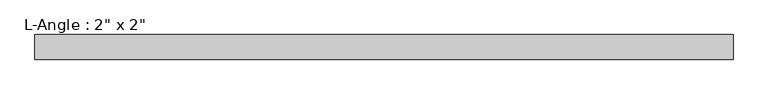
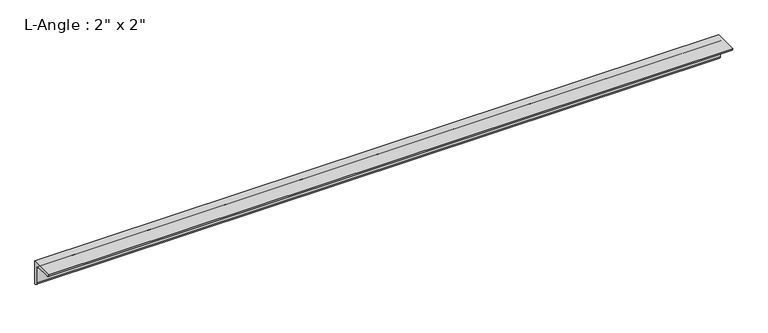
"""IFC4 building model written with IfcOpenShell, lengths in millimetres: beam geometry."""

from ifc_helpers import new_model, si_unit, point, frame, frame_2d, origin, place, context, project, spatial, polyline, circle_curve, trimmed, segment, composite_curve, outline, extrude, source, transform, mapped, element, save


def beam_86bf16c3(model_context):
    return source(origin(), model_context, "Body", "SweptSolid", [
        extrude(outline(composite_curve([segment(polyline([(0.0, 0.0), (0.0, -50.8)]), True, "CONTINUOUS"), segment(trimmed(circle_curve(frame_2d((0.0, -44.45)), 6.35), [point((0.0, -50.8))], [point((-6.35, -44.45))], False, "CARTESIAN"), True, "CONTINUOUS"), segment(polyline([(-6.35, -44.45), (-6.35, -12.7)]), True, "CONTINUOUS"), segment(trimmed(circle_curve(frame_2d((-12.7, -12.7)), 6.35), [point((-6.35, -12.7))], [point((-12.7, -6.35))], True, "CARTESIAN"), True, "CONTINUOUS"), segment(polyline([(-12.7, -6.35), (-44.45, -6.35)]), True, "CONTINUOUS"), segment(trimmed(circle_curve(frame_2d((-44.45, 0.0)), 6.35), [point((-44.45, -6.35))], [point((-50.8, 0.0))], False, "CARTESIAN"), True, "CONTINUOUS"), segment(polyline([(-50.8, 0.0), (0.0, 0.0)]), True, "CONTINUOUS")], self_intersect=False)), frame((-718.9253581, 0.0, 0.0), z_axis=(1.0, 0.0, 0.0), x_axis=(0.0, 1.0, 0.0)), (0.0, 0.0, 1.0), 1437.8507163),
    ])


if __name__ == "__main__":
    model = new_model("IFC4")
    model_context = context("Model", 3, world=origin())
    ifc_project = project(units=[si_unit("LENGTHUNIT", "METRE", prefix="MILLI")], contexts=[model_context])
    site = spatial("IfcSite", under=ifc_project)
    building = spatial("IfcBuilding", under=site)
    placement = place(None, origin())
    beam_shape = beam_86bf16c3(model_context)
    element("IfcBeam", 1, ObjectType="L-Angle : 2\" x 2\"", at=placement, inside=building, context=model_context, shape_type="MappedRepresentation", body=[
        mapped(beam_shape, transform((0.0, 0.0, 0.0), x_axis=(1.0, 0.0, 0.0), y_axis=(0.0, 1.0, 0.0), z_axis=(0.0, 0.0, 1.0))),
    ])
    save(model, "model.ifc")
